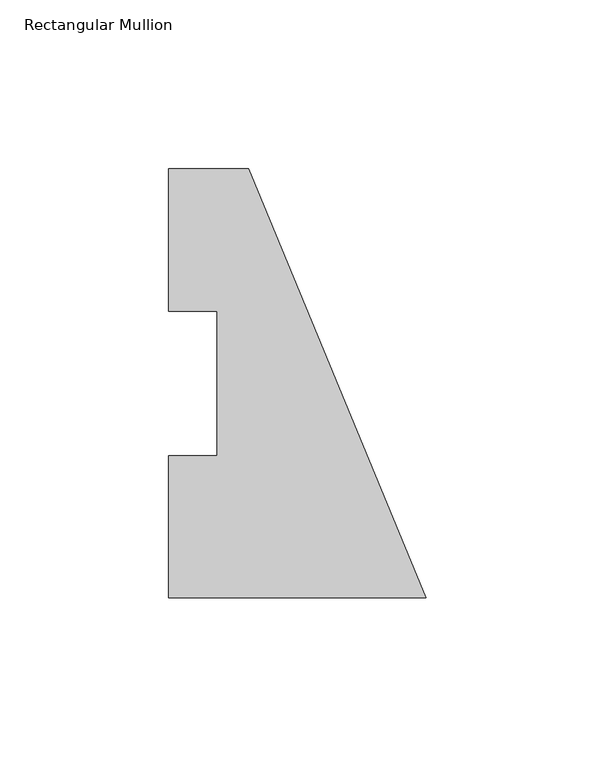
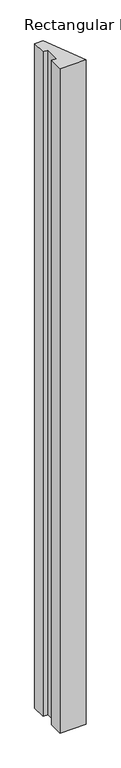
"""IFC4 building model written with IfcOpenShell, lengths in millimetres: member geometry, Rectangular Mullion."""

from ifc_helpers import new_model, si_unit, frame, origin, place, context, project, spatial, polyline, outline, extrude, source, transform, mapped, element, save


def rectangular_mullion_8729aa52(model_context):
    return source(origin(), model_context, "Body", "SweptSolid", [
        extrude(outline(polyline([(-76.2, 0.00635), (-76.2, 42.08145), (-61.9125, 42.08145), (-61.9125, 84.93125), (-76.2, 84.93125), (-76.2, 127.00635), (-52.6051224, 127.00635), (0.0, 0.00635), (-76.2, 0.00635)])), frame((0.0, 0.0, -2044.7227299), z_axis=(0.0, 0.0, 1.0), x_axis=(1.0, 0.0, 0.0)), (0.0, 0.0, 1.0), 2044.7227299),
    ])


if __name__ == "__main__":
    model = new_model("IFC4")
    model_context = context("Model", 3, world=origin())
    ifc_project = project(units=[si_unit("LENGTHUNIT", "METRE", prefix="MILLI")], contexts=[model_context])
    site = spatial("IfcSite", under=ifc_project)
    building = spatial("IfcBuilding", under=site)
    placement = place(None, origin())
    rectangular_mullion_shape = rectangular_mullion_8729aa52(model_context)
    element("IfcMember", 1, ObjectType="Rectangular Mullion", at=placement, inside=building, context=model_context, shape_type="MappedRepresentation", body=[
        mapped(rectangular_mullion_shape, transform((0.0, 0.0, 0.0), x_axis=(1.0, 0.0, 0.0), y_axis=(0.0, 1.0, 0.0), z_axis=(0.0, 0.0, 1.0))),
    ])
    save(model, "model.ifc")
